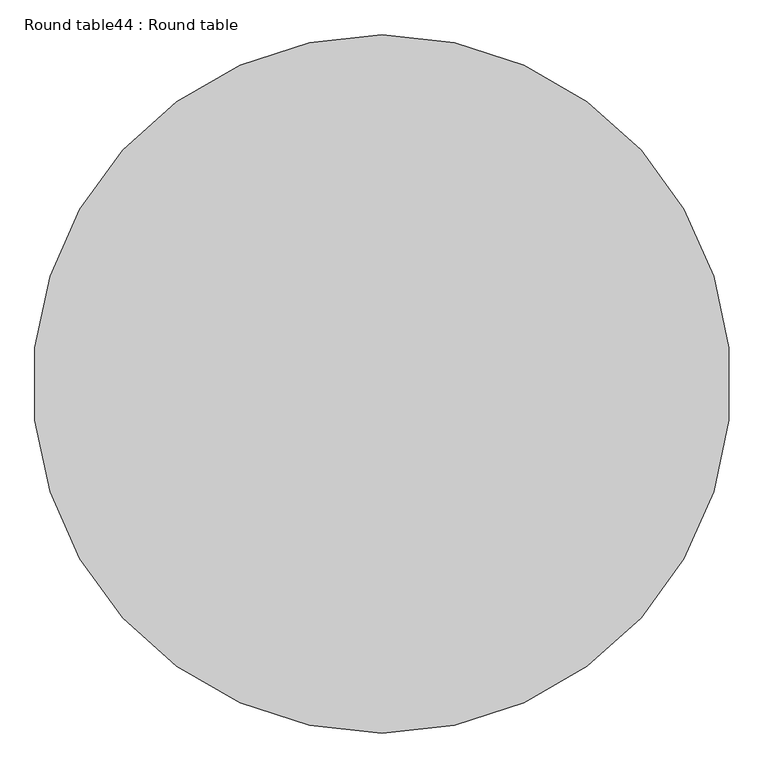
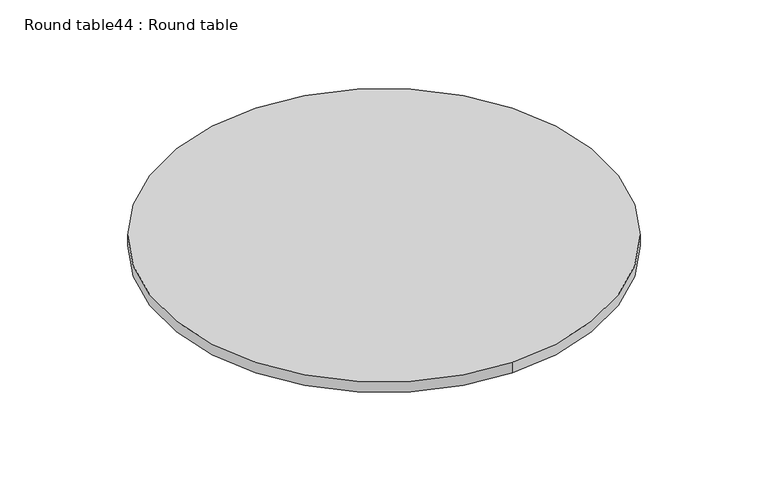
"""IFC4 building model written with IfcOpenShell, lengths in millimetres: furniture geometry, Round table44 : Round table."""

from ifc_helpers import new_model, si_unit, point, frame, frame_2d, origin, place, context, project, spatial, circle_curve, trimmed, segment, composite_curve, outline, extrude, source, transform, mapped, element, save


def round_table44_round_table_18e5a1c7(model_context):
    return source(origin(), model_context, "Body", "SweptSolid", [
        extrude(outline(composite_curve([segment(trimmed(circle_curve(frame_2d((-233457.3976167, -36752.6450166)), 508.0), [point((-233457.3976167, -36244.6450166))], [point((-233457.3976167, -37260.6450166))], False, "CARTESIAN"), True, "CONTINUOUS"), segment(trimmed(circle_curve(frame_2d((-233457.3976167, -36752.6450166)), 508.0), [point((-233457.3976167, -37260.6450166))], [point((-233457.3976167, -36244.6450166))], False, "CARTESIAN"), True, "CONTINUOUS")], self_intersect=False)), frame((0.0, 0.0, 762.0), z_axis=(0.0, 0.0, 1.0), x_axis=(1.0, 0.0, 0.0)), (0.0, 0.0, 1.0), 25.4),
    ])


if __name__ == "__main__":
    model = new_model("IFC4")
    model_context = context("Model", 3, world=origin())
    ifc_project = project(units=[si_unit("LENGTHUNIT", "METRE", prefix="MILLI")], contexts=[model_context])
    site = spatial("IfcSite", under=ifc_project)
    building = spatial("IfcBuilding", under=site)
    placement = place(None, origin())
    round_table44_round_table_shape = round_table44_round_table_18e5a1c7(model_context)
    element("IfcFurniture", 1, ObjectType="Round table44 : Round table", at=placement, inside=building, context=model_context, shape_type="MappedRepresentation", body=[
        mapped(round_table44_round_table_shape, transform((0.0, 0.0, 0.0), x_axis=(1.0, 0.0, 0.0), y_axis=(0.0, 1.0, 0.0), z_axis=(0.0, 0.0, 1.0))),
    ])
    save(model, "model.ifc")
